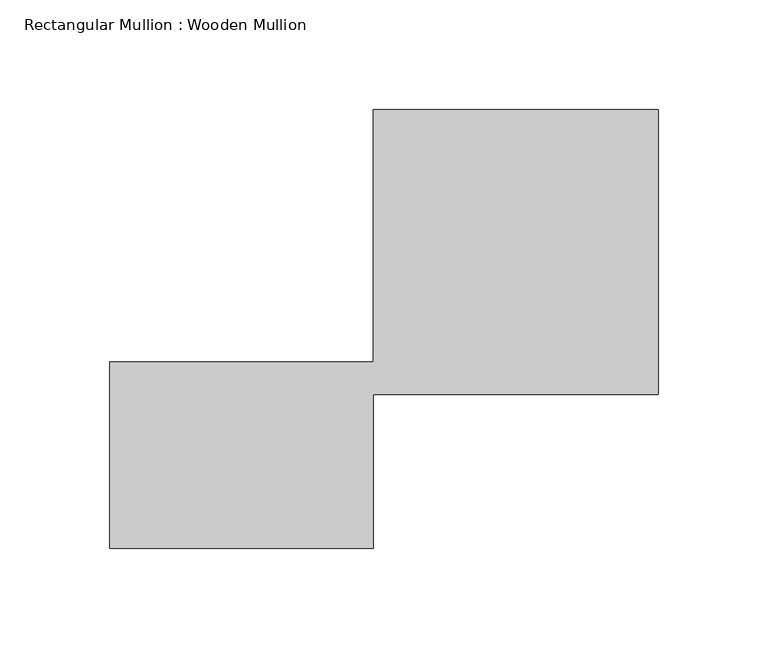
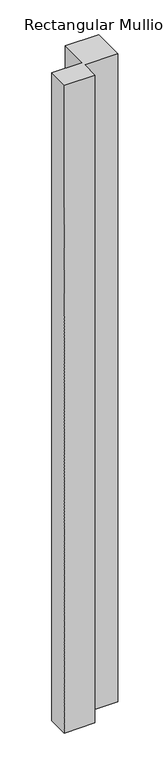
"""IFC4 building model written with IfcOpenShell, lengths in millimetres: member geometry, Rectangular Mullion : Wooden Mullion."""

from ifc_helpers import new_model, si_unit, frame, origin, place, context, project, spatial, polyline, outline, extrude, source, transform, mapped, element, save


def rectangular_mullion_wooden_mullion_1e13ff50(model_context):
    return source(origin(), model_context, "Body", "SweptSolid", [
        extrude(outline(polyline([(74.8100006, -26.0137344), (-45.1899994, -26.0137344), (-45.1899994, 58.9862656), (74.8100006, 58.9862656), (74.8100006, 173.9862656), (204.8100006, 173.9862656), (204.8100006, 43.9862656), (74.8100006, 43.9862656), (74.8100006, -26.0137344)])), frame((0.0, 0.0, -2690.9375901), z_axis=(0.0, 0.0, 1.0), x_axis=(1.0, 0.0, 0.0)), (0.0, 0.0, 1.0), 2690.9375901),
    ])


if __name__ == "__main__":
    model = new_model("IFC4")
    model_context = context("Model", 3, world=origin())
    ifc_project = project(units=[si_unit("LENGTHUNIT", "METRE", prefix="MILLI")], contexts=[model_context])
    site = spatial("IfcSite", under=ifc_project)
    building = spatial("IfcBuilding", under=site)
    placement = place(None, origin())
    rectangular_mullion_wooden_mullion_shape = rectangular_mullion_wooden_mullion_1e13ff50(model_context)
    element("IfcMember", 1, ObjectType="Rectangular Mullion : Wooden Mullion", at=placement, inside=building, context=model_context, shape_type="MappedRepresentation", body=[
        mapped(rectangular_mullion_wooden_mullion_shape, transform((0.0, 0.0, 0.0), x_axis=(1.0, 0.0, 0.0), y_axis=(0.0, 1.0, 0.0), z_axis=(0.0, 0.0, 1.0))),
    ])
    save(model, "model.ifc")
